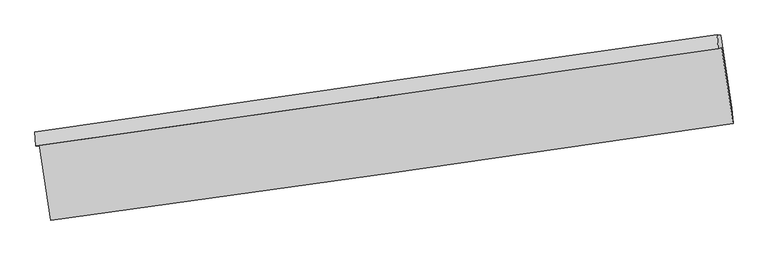
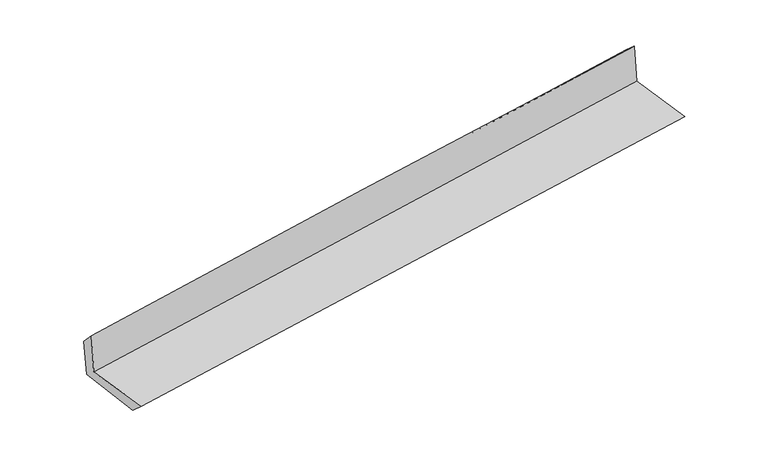
"""IFC4 building model written with IfcOpenShell, lengths in millimetres: proxy geometry."""

from ifc_helpers import new_model, si_unit, frame, origin, place, context, project, spatial, source, transform, mapped, element, save
from ifc_brep_helpers import plane_surface, spline_curve, spline_surface, advanced_brep


def generic_models_c2ebd567(model_context):
    return source(origin(), model_context, "Body", "AdvancedBrep", [
        advanced_brep(
        [(-2998.7599619, -1910.3821483, 1632.2105505), (-2900.6836345, -2570.088882, 1635.1074592), (3048.0291177, -1724.7596171, 2121.3898302), (2948.5364849, -1062.5126413, 2131.1951883), (-3029.7006953, -1923.7399921, 2035.2992631), (2918.0978556, -1072.8820891, 2522.6868595), (-3037.7401488, -1800.2691424, 1908.4800599), (2909.0872943, -952.2066573, 2412.8534104), (-3007.8925495, -1803.6080565, 1549.2282833), (2938.437699, -953.2324657, 2055.4680692), (-2910.70504, -2438.1942752, 1517.1820153), (3036.4849626, -1592.7492412, 2021.8920576)],
        [
            (0, 1),
            (1, 2, spline_curve(3, [(-2900.6836345, -2570.088882, 1635.1074592), (-1908.670773232, -2437.286521608, 1723.913194173), (-916.933225774, -2300.440476171, 1808.839966096), (1065.971013395, -2018.663889458, 1970.933931483), (2057.137717029, -1873.733513293, 2048.101282972), (3048.0291177, -1724.7596171, 2121.3898302)], [4, 2, 4], [0.0, 9.888882930138566, 19.777564121582387])),
            (2, 3),
            (3, 0, spline_curve(3, [(2948.5364849, -1062.5126413, 2131.1951883), (1957.961092529, -1210.875110776, 2052.923310065), (967.070418012, -1355.711452924, 1972.205766847), (-1015.361718175, -1638.334765941, 1805.877653742), (-2006.903192364, -1776.121592679, 1720.266984377), (-2998.7599619, -1910.3821483, 1632.2105505)], [4, 2, 4], [0.0, 9.88868119144382, 19.777564121582387])),
            (4, 0),
            (3, 5),
            (5, 4, spline_curve(3, [(2918.0978556, -1072.8820891, 2522.6868595), (1925.846437762, -1214.497352495, 2452.622334706), (934.075900381, -1356.209085444, 2376.974910185), (-1048.523636252, -1639.828382381, 2214.512606038), (-2039.352615903, -1781.735950667, 2127.697498019), (-3029.7006953, -1923.7399921, 2035.2992631)], [4, 2, 4], [0.0, 9.888622451073331, 19.777446639643046])),
            (6, 4),
            (5, 7),
            (7, 6, spline_curve(3, [(2909.0872943, -952.2066573, 2412.8534104), (1917.729931829, -1092.02242638, 2328.562941244), (926.487350994, -1232.601456004, 2244.387021453), (-1055.788467963, -1515.288919916, 2076.262566614), (-2046.821701283, -1657.39738544, 1992.314035965), (-3037.7401488, -1800.2691424, 1908.4800599)], [4, 2, 4], [0.0, 9.888562440873928, 19.777326618019973])),
            (8, 6),
            (7, 9),
            (9, 8, spline_curve(3, [(2938.437699, -953.2324657, 2055.4680692), (1946.775858346, -1094.142913847, 1976.901307732), (955.422468504, -1235.462043315, 1895.431737836), (-1026.687626783, -1518.92055687, 1726.685261286), (-2017.444319978, -1661.059957606, 1639.408235487), (-3007.8925495, -1803.6080565, 1549.2282833)], [4, 2, 4], [0.0, 9.88857134943645, 19.77734443532676])),
            (10, 8),
            (9, 11),
            (11, 10, spline_curve(3, [(3036.4849626, -1592.7492412, 2021.8920576), (2044.456993309, -1731.610655451, 1944.069145524), (1052.848892784, -1871.494386254, 1863.098980454), (-929.547792186, -2153.309355766, 1694.862428069), (-1920.336358922, -2295.240636364, 1607.595912248), (-2910.70504, -2438.1942752, 1517.1820153)], [4, 2, 4], [0.0, 9.888628720568168, 19.777459178760623])),
            (1, 10),
            (11, 2),
        ],
        [
            spline_surface(3, 3, [[(-2998.7599619, -1910.3821483, 1632.2105505), (-2006.903192374, -1776.121592612, 1720.266984533), (-1015.361718112, -1638.334765863, 1805.877653898), (967.070417948, -1355.711453003, 1972.205766692), (1957.961092637, -1210.875110723, 2052.923309961), (2948.5364849, -1062.5126413, 2131.1951883)], [(-2966.067852774, -2130.284392887, 1633.176186714), (-1974.159052617, -1996.509902271, 1721.482387676), (-982.552220686, -1859.036669295, 1806.86509129), (1000.037283179, -1576.695598506, 1971.781821621), (1991.019967461, -1431.82791156, 2051.315967669), (2981.70069581, -1283.261633209, 2127.926735599)], [(-2933.375743626, -2350.186637413, 1634.141822986), (-1941.414912837, -2216.898211869, 1722.697790876), (-949.742723353, -2079.738572706, 1807.852528695), (1033.004148318, -1797.679743988, 1971.357876563), (2024.078842355, -1652.780712469, 2049.708625379), (3014.86490679, -1504.010625191, 2124.658282901)], [(-2900.6836345, -2570.088882, 1635.1074592), (-1908.67077308, -2437.286521528, 1723.913194019), (-916.933225927, -2300.440476138, 1808.839966088), (1065.971013548, -2018.66388949, 1970.933931492), (2057.137717178, -1873.733513306, 2048.101283087), (3048.0291177, -1724.7596171, 2121.3898302)]], [4, 4], [4, 2, 4], [0.0, 2.197624428371761], [0.0, 9.888882930138566, 19.777564121582387]),
            spline_surface(3, 3, [[(-3029.7006953, -1923.7399921, 2035.2992631), (-2039.352615927, -1781.735950708, 2127.697498099), (-1048.523636222, -1639.828382452, 2214.51260594), (934.075900351, -1356.209085373, 2376.974910283), (1925.846437642, -1214.497352659, 2452.622334565), (2918.0978556, -1072.8820891, 2522.6868595)], [(-3019.387117488, -1919.287377493, 1900.936358911), (-2028.536141398, -1779.864498002, 1991.887326921), (-1037.469663519, -1639.330510228, 2078.300955258), (945.074072883, -1356.043207889, 2242.051862418), (1936.551322658, -1213.289938703, 2319.389326352), (2928.244065384, -1069.425606522, 2392.189635755)], [(-3009.073539712, -1914.834762907, 1766.573454689), (-2017.719666904, -1777.993045318, 1856.077155711), (-1026.415690815, -1638.832638086, 1942.08930458), (956.072245416, -1355.877330487, 2107.128814557), (1947.256207622, -1212.08252468, 2186.156318174), (2938.390275116, -1065.969123878, 2261.692412045)], [(-2998.7599619, -1910.3821483, 1632.2105505), (-2006.903192374, -1776.121592612, 1720.266984533), (-1015.361718112, -1638.334765863, 1805.877653898), (967.070417948, -1355.711453003, 1972.205766692), (1957.961092637, -1210.875110723, 2052.923309961), (2948.5364849, -1062.5126413, 2131.1951883)]], [4, 4], [4, 2, 4], [0.0, 1.3387344382574893], [0.0, 9.888824188569714, 19.777446639643046]),
            spline_surface(3, 3, [[(-3037.7401488, -1800.2691424, 1908.4800599), (-2046.821701428, -1657.3973853, 1992.314036104), (-1055.788468013, -1515.288919906, 2076.262566623), (926.487351044, -1232.601456014, 2244.387021443), (1917.729931982, -1092.022426376, 2328.562941131), (2909.0872943, -952.2066573, 2412.8534104)], [(-3035.060330946, -1841.426092313, 1950.753127624), (-2044.332006241, -1698.843573782, 2037.44185676), (-1053.366857424, -1556.802074115, 2122.345913059), (929.016867472, -1273.803999161, 2288.582984387), (1920.435433867, -1132.847401802, 2369.916072293), (2912.090814732, -992.431801232, 2449.464560117)], [(-3032.380513154, -1882.583042187, 1993.026195376), (-2041.842311114, -1740.289762226, 2082.569677443), (-1050.945246811, -1598.315228243, 2168.429259503), (931.546383923, -1315.006542227, 2332.778947339), (1923.140935756, -1173.672377233, 2411.269203403), (2915.094335168, -1032.656945168, 2486.075709783)], [(-3029.7006953, -1923.7399921, 2035.2992631), (-2039.352615927, -1781.735950708, 2127.697498099), (-1048.523636222, -1639.828382452, 2214.51260594), (934.075900351, -1356.209085373, 2376.974910283), (1925.846437642, -1214.497352659, 2452.622334565), (2918.0978556, -1072.8820891, 2522.6868595)]], [4, 4], [4, 2, 4], [0.0, 0.6030654444826873], [0.0, 9.888764177146045, 19.777326618019973]),
            spline_surface(3, 3, [[(-3007.8925495, -1803.6080565, 1549.2282833), (-2017.444320027, -1661.059957595, 1639.408235471), (-1026.687626848, -1518.920556888, 1726.685261136), (955.422468569, -1235.462043297, 1895.431737986), (1946.775858227, -1094.142913736, 1976.901307639), (2938.437699, -953.2324657, 2055.4680692)], [(-3017.841749291, -1802.495085129, 1668.978875502), (-2027.236780519, -1659.839100159, 1757.043502351), (-1036.387907245, -1517.710011216, 1843.211029656), (945.777429385, -1234.508514192, 2011.75016583), (1937.093882796, -1093.436084611, 2094.121852127), (2928.654230751, -952.890529561, 2174.596516257)], [(-3027.790949009, -1801.382113771, 1788.729467698), (-2037.029240937, -1658.618242736, 1874.678769224), (-1046.088187616, -1516.499465577, 1959.736798103), (936.132390228, -1233.554985119, 2128.068593599), (1927.411907412, -1092.729255502, 2211.342396643), (2918.870762549, -952.548593439, 2293.724963343)], [(-3037.7401488, -1800.2691424, 1908.4800599), (-2046.821701428, -1657.3973853, 1992.314036104), (-1055.788468013, -1515.288919906, 2076.262566623), (926.487351044, -1232.601456014, 2244.387021443), (1917.729931982, -1092.022426376, 2328.562941131), (2909.0872943, -952.2066573, 2412.8534104)]], [4, 4], [4, 2, 4], [0.0, 1.149884207532328], [0.0, 9.88877308589031, 19.77734443532676]),
            spline_surface(3, 3, [[(-2910.70504, -2438.1942752, 1517.1820153), (-1920.336358991, -2295.240636324, 1607.595912405), (-929.547792043, -2153.309355814, 1694.86242809), (1052.848892641, -1871.494386206, 1863.098980433), (2044.456993189, -1731.610655358, 1944.069145531), (3036.4849626, -1592.7492412, 2021.8920576)], [(-2943.100876481, -2226.665535639, 1527.864104626), (-1952.705679317, -2083.847076754, 1618.200020087), (-961.927736974, -1941.846422843, 1705.470039091), (1020.373417953, -1659.483605241, 1873.87656627), (2011.896614867, -1519.121408145, 1955.013199559), (3003.802541399, -1379.576982694, 2033.084061459)], [(-2975.496713019, -2015.136796061, 1538.546193974), (-1985.074999701, -1872.453517165, 1628.80412779), (-994.307681916, -1730.383489859, 1716.077650134), (987.897943256, -1447.472824263, 1884.654152149), (1979.336236549, -1306.632160949, 1965.957253611), (2971.120120201, -1166.404724206, 2044.276065341)], [(-3007.8925495, -1803.6080565, 1549.2282833), (-2017.444320027, -1661.059957595, 1639.408235471), (-1026.687626848, -1518.920556888, 1726.685261136), (955.422468569, -1235.462043297, 1895.431737986), (1946.775858227, -1094.142913736, 1976.901307639), (2938.437699, -953.2324657, 2055.4680692)]], [4, 4], [4, 2, 4], [0.0, 2.1109481717037126], [0.0, 9.888830458192455, 19.777459178760623]),
            spline_surface(3, 3, [[(-2900.6836345, -2570.088882, 1635.1074592), (-1908.67077308, -2437.286521528, 1723.913194019), (-916.933225927, -2300.440476138, 1808.839966088), (1065.971013548, -2018.66388949, 1970.933931492), (2057.137717178, -1873.733513306, 2048.101283087), (3048.0291177, -1724.7596171, 2121.3898302)], [(-2904.024103019, -2526.124013039, 1595.798977922), (-1912.559301736, -2389.937893099, 1685.140766837), (-921.138081316, -2251.396769363, 1770.847453419), (1061.596973229, -1969.607388395, 1934.988947803), (2052.910809206, -1826.359227338, 2013.423903914), (3044.181066024, -1680.756158482, 2088.223906012)], [(-2907.364571481, -2482.159144161, 1556.490496578), (-1916.447830335, -2342.589264753, 1646.368339588), (-925.342936654, -2202.353062589, 1732.854940759), (1057.22293296, -1920.550887301, 1899.043964122), (2048.683901162, -1778.984941326, 1978.746524704), (3040.333014276, -1636.752699818, 2055.057981788)], [(-2910.70504, -2438.1942752, 1517.1820153), (-1920.336358991, -2295.240636324, 1607.595912405), (-929.547792043, -2153.309355814, 1694.86242809), (1052.848892641, -1871.494386206, 1863.098980433), (2044.456993189, -1731.610655358, 1944.069145531), (3036.4849626, -1592.7492412, 2021.8920576)]], [4, 4], [4, 2, 4], [0.0, 0.6060148886416046], [0.0, 9.888846054732795, 19.777490371523125]),
            plane_surface(frame((2966.445569, -1226.3904519, 2210.9142359), z_axis=(0.9858639702487612, 0.14691867993314311, 0.08054274425454092), x_axis=(-0.0818494815818166, 0.00286067220601375, 0.9966405966642727))),
            plane_surface(frame((-2980.9136717, -2074.3804161, 1712.9179386), z_axis=(-0.9858639702487558, -0.14691867993317534, -0.08054274425454847), x_axis=(-0.14704901380308524, 0.9891196702950307, -0.004343428943818873))),
        ],
        [
            (0, [[1, 2, 3, 4]]),
            (1, [[5, -4, 6, 7]]),
            (2, [[8, -7, 9, 10]]),
            (3, [[11, -10, 12, 13]]),
            (4, [[14, -13, 15, 16]]),
            (5, [[17, -16, 18, -2]]),
            (6, [[-12, -9, -6, -3, -18, -15]]),
            (7, [[-1, -5, -8, -11, -14, -17]]),
        ],
    ),
    ])


if __name__ == "__main__":
    model = new_model("IFC4")
    model_context = context("Model", 3, world=origin())
    ifc_project = project(units=[si_unit("LENGTHUNIT", "METRE", prefix="MILLI")], contexts=[model_context])
    site = spatial("IfcSite", under=ifc_project)
    building = spatial("IfcBuilding", under=site)
    placement = place(None, origin())
    generic_models_shape = generic_models_c2ebd567(model_context)
    element("IfcBuildingElementProxy", 1, Name="Generic Models", at=placement, inside=building, context=model_context, shape_type="MappedRepresentation", body=[
        mapped(generic_models_shape, transform((0.0, 0.0, 0.0), x_axis=(1.0, 0.0, 0.0), y_axis=(0.0, 1.0, 0.0), z_axis=(0.0, 0.0, 1.0))),
    ])
    save(model, "model.ifc")
